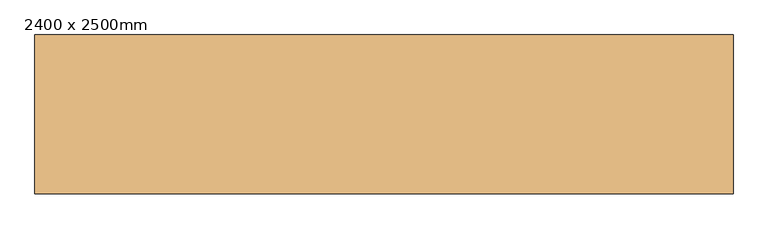
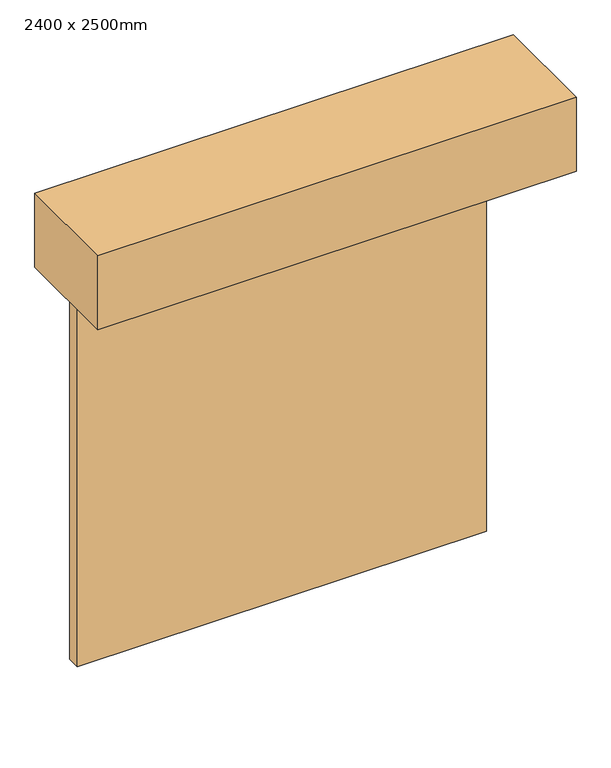
"""IFC4 building model written with IfcOpenShell, lengths in millimetres: door geometry, 2400 x 2500mm."""

from ifc_helpers import new_model, si_unit, frame, origin, origin_with_axes, place, context, project, spatial, polyline, outline, extrude, source, transform, mapped, element, save


def door_2400_x_2500mm_d48534d3(model_context):
    return source(origin(), model_context, "Body", "SweptSolid", [
        extrude(outline(polyline([(1200.0, -145.0), (1200.0, -225.0), (-1200.0, -225.0), (-1200.0, -145.0), (1200.0, -145.0)])), origin_with_axes(), (0.0, 0.0, 1.0), 2500.0),
        extrude(outline(polyline([(1403.2, -783.8), (-1403.2, -783.8), (-1403.2, -145.0), (1403.2, -145.0), (1403.2, -783.8)])), frame((0.0, 0.0, 2500.0), z_axis=(0.0, 0.0, 1.0), x_axis=(1.0, 0.0, 0.0)), (0.0, 0.0, 1.0), 457.2),
    ])


if __name__ == "__main__":
    model = new_model("IFC4")
    model_context = context("Model", 3, world=origin())
    ifc_project = project(units=[si_unit("LENGTHUNIT", "METRE", prefix="MILLI")], contexts=[model_context])
    site = spatial("IfcSite", under=ifc_project)
    building = spatial("IfcBuilding", under=site)
    placement = place(None, origin())
    door_2400_x_2500mm_shape = door_2400_x_2500mm_d48534d3(model_context)
    element("IfcDoor", 1, ObjectType="2400 x 2500mm", at=placement, inside=building, context=model_context, shape_type="MappedRepresentation", body=[
        mapped(door_2400_x_2500mm_shape, transform((0.0, 0.0, 0.0), x_axis=(1.0, 0.0, 0.0), y_axis=(0.0, 1.0, 0.0), z_axis=(0.0, 0.0, 1.0))),
    ])
    save(model, "model.ifc")
